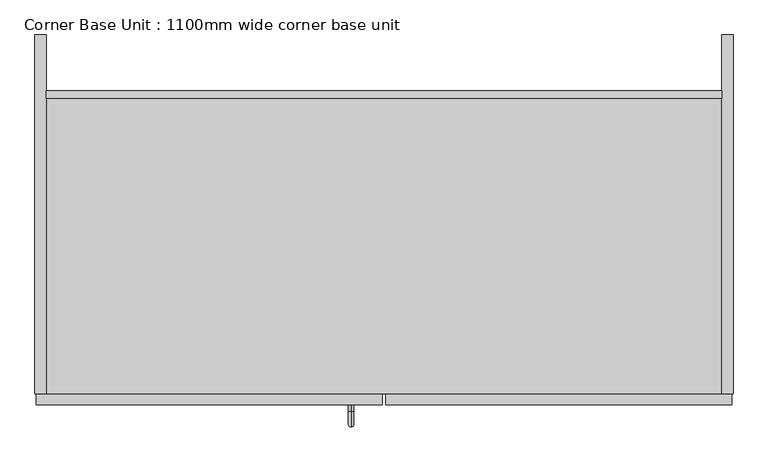
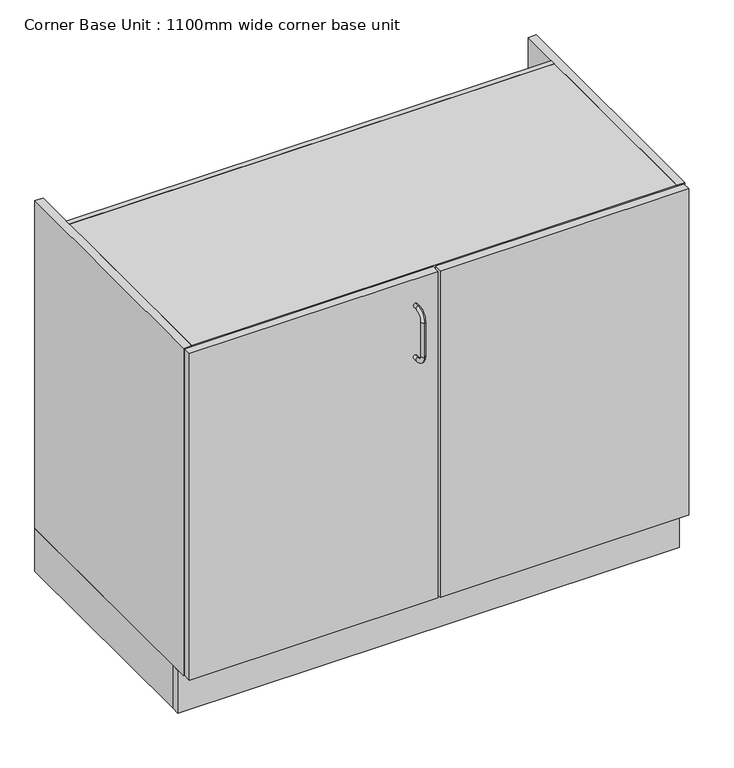
"""IFC4 building model written with IfcOpenShell, lengths in millimetres: furniture geometry, Corner Base Unit : 1100mm wide corner base unit."""

from ifc_helpers import new_model, si_unit, point, frame, origin, origin_with_axes, place, context, project, spatial, polyline, circle_curve, ellipse_curve, trimmed, outline, extrude, source, transform, mapped, element, save
from ifc_brep_helpers import plane_surface, cylinder_surface, revolved_surface, advanced_brep


def corner_base_unit_1100mm_wide_corner_base_unit_d1398768(model_context):
    return source(origin(), model_context, "Body", "SolidModel", [
        advanced_brep(
        [(-7.1746736, -583.0, 801.6), (-7.1746736, -583.0, 792.6), (-7.1746736, -593.0, 792.6), (-7.1746736, -593.0, 801.6), (-7.1746736, -608.5, 777.1), (-7.1746736, -617.5, 777.1), (-7.1746736, -608.5, 697.1), (-7.1746736, -617.5, 697.1), (-7.1746736, -593.0, 681.6), (-7.1746736, -593.0, 672.6), (-7.1746736, -583.0, 672.6), (-7.1746736, -583.0, 681.6)],
        [
            (0, 1, circle_curve(frame((-7.1746736, -583.0, 797.1), z_axis=(0.0, 1.0, 0.0), x_axis=(0.0, 0.0, -1.0)), 4.5)),
            (1, 0, circle_curve(frame((-7.1746736, -583.0, 797.1), z_axis=(0.0, 1.0, 0.0), x_axis=(0.0, 0.0, -1.0)), 4.5)),
            (1, 2),
            (2, 3, circle_curve(frame((-7.1746736, -593.0, 797.1), z_axis=(0.0, 1.0, 0.0), x_axis=(0.0, 0.0, -1.0)), 4.5)),
            (3, 0),
            (3, 2, circle_curve(frame((-7.1746736, -593.0, 797.1), z_axis=(0.0, 1.0, 0.0), x_axis=(0.0, 0.0, -1.0)), 4.5)),
            (4, 5, circle_curve(frame((-7.1746736, -613.0, 777.1), z_axis=(0.0, 0.0, 1.0), x_axis=(0.0, 1.0, 0.0)), 4.5)),
            (5, 3, circle_curve(frame((-7.1746736, -593.0, 777.1), z_axis=(-1.0, 0.0, 0.0), x_axis=(0.0, 0.0, 1.0)), 24.5)),
            (2, 4, circle_curve(frame((-7.1746736, -593.0, 777.1), z_axis=(1.0, 0.0, 0.0), x_axis=(0.0, 0.0, 1.0)), 15.5)),
            (5, 4, circle_curve(frame((-7.1746736, -613.0, 777.1), z_axis=(0.0, 0.0, 1.0), x_axis=(0.0, 1.0, 0.0)), 4.5)),
            (4, 6),
            (6, 7, circle_curve(frame((-7.1746736, -613.0, 697.1), z_axis=(0.0, 0.0, 1.0), x_axis=(0.0, 1.0, 0.0)), 4.5)),
            (7, 5),
            (7, 6, circle_curve(frame((-7.1746736, -613.0, 697.1), z_axis=(0.0, 0.0, 1.0), x_axis=(0.0, 1.0, 0.0)), 4.5)),
            (8, 9, circle_curve(frame((-7.1746736, -593.0, 677.1), z_axis=(0.0, -1.0, 0.0), x_axis=(0.0, 0.0, 1.0)), 4.5)),
            (9, 7, circle_curve(frame((-7.1746736, -593.0, 697.1), z_axis=(-1.0, 0.0, 0.0), x_axis=(0.0, -1.0, 0.0)), 24.5)),
            (6, 8, circle_curve(frame((-7.1746736, -593.0, 697.1), z_axis=(1.0, 0.0, 0.0), x_axis=(0.0, -1.0, 0.0)), 15.5)),
            (9, 8, circle_curve(frame((-7.1746736, -593.0, 677.1), z_axis=(0.0, -1.0, 0.0), x_axis=(0.0, 0.0, 1.0)), 4.5)),
            (10, 11, circle_curve(frame((-7.1746736, -583.0, 677.1), z_axis=(0.0, 1.0, 0.0), x_axis=(0.0, 0.0, 1.0)), 4.5)),
            (11, 10, circle_curve(frame((-7.1746736, -583.0, 677.1), z_axis=(0.0, 1.0, 0.0), x_axis=(0.0, 0.0, 1.0)), 4.5)),
            (8, 11),
            (10, 9),
        ],
        [
            plane_surface(frame((-7.1746736, -583.0, 797.1), z_axis=(0.0, 1.0, 0.0), x_axis=(-1.0, 0.0, 0.0))),
            cylinder_surface(frame((-7.1746736, -583.0, 797.1), z_axis=(0.0, 1.0, 0.0), x_axis=(0.0, 0.0, -1.0)), 4.5),
            revolved_surface(trimmed(ellipse_curve(frame((-7.1746736, -593.0, 797.1), z_axis=(0.0, -1.0, 0.0), x_axis=(0.0, 0.0, -1.0)), 4.5, 4.5), [point((-7.1746736, -593.0, 801.6))], [point((-7.1746736, -593.0, 792.6))], True, "CARTESIAN"), (-7.1746736, -593.0, 777.1), (-1.0, 0.0, 0.0)),
            revolved_surface(trimmed(ellipse_curve(frame((-7.1746736, -593.0, 797.1), z_axis=(0.0, -1.0, 0.0), x_axis=(0.0, 0.0, -1.0)), 4.5, 4.5), [point((-7.1746736, -593.0, 792.6))], [point((-7.1746736, -593.0, 801.6))], True, "CARTESIAN"), (-7.1746736, -593.0, 777.1), (-1.0, 0.0, 0.0)),
            cylinder_surface(frame((-7.1746736, -613.0, 777.1), z_axis=(0.0, 0.0, 1.0), x_axis=(0.0, 1.0, 0.0)), 4.5),
            revolved_surface(trimmed(ellipse_curve(frame((-7.1746736, -613.0, 697.1), z_axis=(0.0, 0.0, -1.0), x_axis=(0.0, 1.0, 0.0)), 4.5, 4.5), [point((-7.1746736, -617.5, 697.1))], [point((-7.1746736, -608.5, 697.1))], True, "CARTESIAN"), (-7.1746736, -593.0, 697.1), (-1.0, 0.0, 0.0)),
            revolved_surface(trimmed(ellipse_curve(frame((-7.1746736, -613.0, 697.1), z_axis=(0.0, 0.0, -1.0), x_axis=(0.0, 1.0, 0.0)), 4.5, 4.5), [point((-7.1746736, -608.5, 697.1))], [point((-7.1746736, -617.5, 697.1))], True, "CARTESIAN"), (-7.1746736, -593.0, 697.1), (-1.0, 0.0, 0.0)),
            plane_surface(frame((-7.1746736, -583.0, 677.1), z_axis=(0.0, 1.0, 0.0), x_axis=(-1.0, 0.0, 0.0))),
            cylinder_surface(frame((-7.1746736, -593.0, 677.1), z_axis=(0.0, -1.0, 0.0), x_axis=(0.0, 0.0, 1.0)), 4.5),
        ],
        [
            (0, [[1, 2]]),
            (1, [[3, 4, 5, -2]]),
            (1, [[-5, 6, -3, -1]]),
            (2, [[7, 8, -4, 9]]),
            (3, [[10, -9, -6, -8]]),
            (4, [[11, 12, 13, -7]]),
            (4, [[-13, 14, -11, -10]]),
            (5, [[15, 16, -12, 17]]),
            (6, [[18, -17, -14, -16]]),
            (7, [[19, 20]]),
            (8, [[21, -19, 22, -15]]),
            (8, [[-22, -20, -21, -18]]),
        ],
    ),
        extrude(outline(polyline([(64.9280521, -547.0), (64.9280521, -565.0), (24.4726008, -565.0), (24.4726008, -547.0), (64.9280521, -547.0)])), frame((0.0, 0.0, 118.0), z_axis=(0.0, 0.0, 1.0), x_axis=(1.0, 0.0, 0.0)), (0.0, 0.0, 1.0), 724.0),
        extrude(outline(polyline([(592.2003264, -583.0), (47.2003264, -583.0), (47.2003264, -565.0), (592.2003264, -565.0), (592.2003264, -583.0)])), frame((0.0, 0.0, 100.0), z_axis=(0.0, 0.0, 1.0), x_axis=(1.0, 0.0, 0.0)), (0.0, 0.0, 1.0), 757.5),
        extrude(outline(polyline([(42.2003264, -583.0), (-502.7996736, -583.0), (-502.7996736, -565.0), (42.2003264, -565.0), (42.2003264, -583.0)])), frame((0.0, 0.0, 100.0), z_axis=(0.0, 0.0, 1.0), x_axis=(1.0, 0.0, 0.0)), (0.0, 0.0, 1.0), 758.0),
        extrude(outline(polyline([(576.7003264, -88.0), (576.7003264, -100.0), (-487.2996736, -100.0), (-487.2996736, -88.0), (576.7003264, -88.0)])), frame((0.0, 0.0, 100.0), z_axis=(0.0, 0.0, 1.0), x_axis=(1.0, 0.0, 0.0)), (0.0, 0.0, 1.0), 760.0),
        extrude(outline(polyline([(576.7003264, 0.0), (594.7003264, 0.0), (594.7003264, -565.0), (576.7003264, -565.0), (576.7003264, 0.0)])), frame((0.0, 0.0, 100.0), z_axis=(0.0, 0.0, 1.0), x_axis=(1.0, 0.0, 0.0)), (0.0, 0.0, 1.0), 760.0),
        extrude(outline(polyline([(-487.2996736, 0.0), (-487.2996736, -565.0), (-505.2996736, -565.0), (-505.2996736, 0.0), (-487.2996736, 0.0)])), frame((0.0, 0.0, 100.0), z_axis=(0.0, 0.0, 1.0), x_axis=(1.0, 0.0, 0.0)), (0.0, 0.0, 1.0), 760.0),
        extrude(outline(polyline([(594.7003264, -525.0), (594.7003264, -543.0), (-505.2996736, -543.0), (-505.2996736, -525.0), (594.7003264, -525.0)])), origin_with_axes(), (0.0, 0.0, 1.0), 100.0),
        extrude(outline(polyline([(-505.2996736, 0.0), (-487.2996736, 0.0), (-487.2996736, -525.0), (-505.2996736, -525.0), (-505.2996736, 0.0)])), origin_with_axes(), (0.0, 0.0, 1.0), 100.0),
        extrude(outline(polyline([(594.7003264, 0.0), (594.7003264, -525.0), (576.7003264, -525.0), (576.7003264, 0.0), (594.7003264, 0.0)])), origin_with_axes(), (0.0, 0.0, 1.0), 100.0),
        extrude(outline(polyline([(576.7003264, -565.0), (-487.2996736, -565.0), (-487.2996736, -100.0), (576.7003264, -100.0), (576.7003264, -565.0)])), frame((0.0, 0.0, 100.0), z_axis=(0.0, 0.0, 1.0), x_axis=(1.0, 0.0, 0.0)), (0.0, 0.0, 1.0), 18.0),
        extrude(outline(polyline([(576.7003264, -565.0), (-487.2996736, -565.0), (-487.2996736, -100.0), (576.7003264, -100.0), (576.7003264, -565.0)])), frame((0.0, 0.0, 842.0), z_axis=(0.0, 0.0, 1.0), x_axis=(1.0, 0.0, 0.0)), (0.0, 0.0, 1.0), 18.0),
    ])


if __name__ == "__main__":
    model = new_model("IFC4")
    model_context = context("Model", 3, world=origin())
    ifc_project = project(units=[si_unit("LENGTHUNIT", "METRE", prefix="MILLI")], contexts=[model_context])
    site = spatial("IfcSite", under=ifc_project)
    building = spatial("IfcBuilding", under=site)
    placement = place(None, origin())
    corner_base_unit_1100mm_wide_corner_base_unit_shape = corner_base_unit_1100mm_wide_corner_base_unit_d1398768(model_context)
    element("IfcFurniture", 1, ObjectType="Corner Base Unit : 1100mm wide corner base unit", at=placement, inside=building, context=model_context, shape_type="MappedRepresentation", body=[
        mapped(corner_base_unit_1100mm_wide_corner_base_unit_shape, transform((0.0, 0.0, 0.0), x_axis=(1.0, 0.0, 0.0), y_axis=(0.0, 1.0, 0.0), z_axis=(0.0, 0.0, 1.0))),
    ])
    save(model, "model.ifc")
